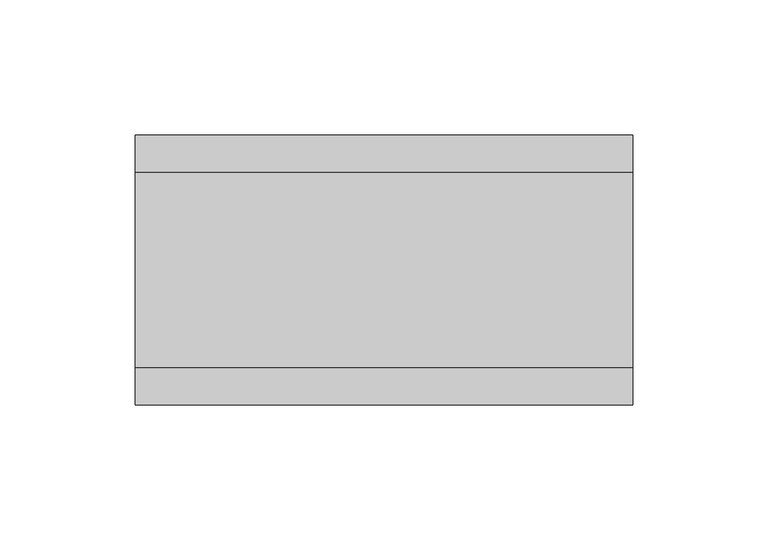
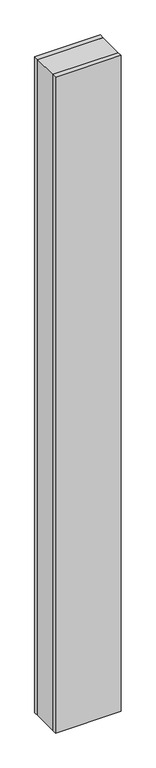
"""IFC4 building model written with IfcOpenShell, lengths in millimetres: plate geometry."""

import ifcopenshell
import ifcopenshell.guid

model = None  # the IFC model being written
_history = None  # IfcOwnerHistory: only IFC2X3 demands one
_inside = {}  # id of a spatial element -> (the spatial element, [elements in it])
_under = {}  # id of a project, library or spatial element -> (it, [spatial elements below it])
_declared = {}  # id of a project -> (the project, [libraries it declares])
_typed = {}  # id of a type object -> (the type object, [elements of that type])
_made_of = {}  # id of a material, layer set ... -> (it, [elements and type objects made of it])


def new_model(schema):
    """Start an empty IFC model of exactly this schema.

    Asked for "IFC4X3", IfcOpenShell would pick the latest addendum, in which some entities
    have other attributes; the version numbers below select the first issue.
    IFC2X3 requires an IfcOwnerHistory on every rooted entity: one is made here for all.
    """
    global model, _history
    if schema == "IFC4X3":
        model = ifcopenshell.file(schema_version=(4, 3, 0, 0))
    else:
        model = ifcopenshell.file(schema=schema)
    _inside.clear()
    _under.clear()
    _declared.clear()
    _typed.clear()
    _made_of.clear()
    _history = None
    if model.schema == "IFC2X3":
        org = make("IfcOrganization", Name="unknown")
        user = make(
            "IfcPersonAndOrganization",
            ThePerson=make("IfcPerson", FamilyName="unknown"),
            TheOrganization=org,
        )
        app = make(
            "IfcApplication",
            ApplicationDeveloper=org,
            Version="unknown",
            ApplicationFullName="unknown",
            ApplicationIdentifier="unknown",
        )
        _history = make(
            "IfcOwnerHistory",
            OwningUser=user,
            OwningApplication=app,
            ChangeAction="ADDED",
            CreationDate=0,
        )
    return model


def make(cls, **values):
    """One entity of the class cls with the attributes given. An attribute that is None is left unset."""
    return model.create_entity(
        cls, **{name: value for name, value in values.items() if value is not None}
    )


def rooted(cls, **values):
    """An entity with a GlobalId (a new one), such as an element, a storey or a relation."""
    return make(cls, GlobalId=ifcopenshell.guid.new(), OwnerHistory=_history, **values)


def si_unit(unit_type, name, prefix=None):
    """IfcSIUnit, for example si_unit("LENGTHUNIT", "METRE", prefix="MILLI")."""
    return make("IfcSIUnit", UnitType=unit_type, Prefix=prefix, Name=name)


def assignment(units):
    """IfcUnitAssignment: the units of a project."""
    return None if units is None else make("IfcUnitAssignment", Units=units)


def point(xyz):
    """IfcCartesianPoint."""
    return None if xyz is None else make("IfcCartesianPoint", Coordinates=xyz)


def direction(xyz):
    """IfcDirection."""
    return None if xyz is None else make("IfcDirection", DirectionRatios=xyz)


def frame(location, z_axis=None, x_axis=None):
    """IfcAxis2Placement3D, a coordinate frame: its origin and axes. An axis left out is left unset."""
    return make(
        "IfcAxis2Placement3D",
        Location=point(location),
        Axis=direction(z_axis),
        RefDirection=direction(x_axis),
    )


def origin():
    """The frame at (0, 0, 0) with its axes left unset."""
    return frame((0.0, 0.0, 0.0))


def origin_with_axes():
    """The frame at (0, 0, 0) with the z axis (0, 0, 1) and the x axis (1, 0, 0) written out."""
    return frame((0.0, 0.0, 0.0), z_axis=(0.0, 0.0, 1.0), x_axis=(1.0, 0.0, 0.0))


def place(relative_to, where):
    """IfcLocalPlacement: puts the frame where relative to a parent placement (None: the world)."""
    return make(
        "IfcLocalPlacement", PlacementRelTo=relative_to, RelativePlacement=where
    )


def context(
    kind, dimensions, precision=None, world=None, true_north=None, identifier=None
):
    """IfcGeometricRepresentationContext, for example the 3D "Model" context."""
    return make(
        "IfcGeometricRepresentationContext",
        ContextIdentifier=identifier,
        ContextType=kind,
        CoordinateSpaceDimension=dimensions,
        Precision=precision,
        WorldCoordinateSystem=world,
        TrueNorth=true_north,
    )


def project(units=None, contexts=None):
    """IfcProject with its units and contexts."""
    return rooted(
        "IfcProject",
        Name="project",
        RepresentationContexts=contexts,
        UnitsInContext=assignment(units),
    )


def spatial(cls, under=None, at=None, **own):
    """A site, building, storey or space (cls), placed at a placement, below another one or the project."""
    s = rooted(cls, ObjectPlacement=at, **own)
    if under is not None:
        _under.setdefault(under.id(), (under, []))[1].append(s)
    return s


def polyline(points):
    """IfcPolyline through the points."""
    return make("IfcPolyline", Points=[point(p) for p in points])


def outline(outer, holes=None, kind="AREA"):
    """IfcArbitraryClosedProfileDef: a profile drawn as a closed curve; with holes, ...WithVoids."""
    if holes is None:
        return make("IfcArbitraryClosedProfileDef", ProfileType=kind, OuterCurve=outer)
    return make(
        "IfcArbitraryProfileDefWithVoids",
        ProfileType=kind,
        OuterCurve=outer,
        InnerCurves=holes,
    )


def extrude(swept, where, along, depth):
    """IfcExtrudedAreaSolid: the profile swept, set in the frame where, extruded along a direction by depth."""
    return make(
        "IfcExtrudedAreaSolid",
        SweptArea=swept,
        Position=where,
        ExtrudedDirection=direction(along),
        Depth=depth,
    )


def shape(context_of_items, identifier, shape_type, items):
    """IfcShapeRepresentation: the items that make up one representation, for example the "Body"."""
    return make(
        "IfcShapeRepresentation",
        ContextOfItems=context_of_items,
        RepresentationIdentifier=identifier,
        RepresentationType=shape_type,
        Items=items,
    )


def source(mapping_origin, context_of_items, identifier, shape_type, items):
    """IfcRepresentationMap: a shape defined once, which mapped items show again and again."""
    return make(
        "IfcRepresentationMap",
        MappingOrigin=mapping_origin,
        MappedRepresentation=shape(context_of_items, identifier, shape_type, items),
    )


def transform(
    local_origin,
    x_axis=None,
    y_axis=None,
    z_axis=None,
    scale=None,
    scale2=None,
    scale3=None,
    uniform=True,
):
    """IfcCartesianTransformationOperator3D, or its non-uniform kind. x_axis, y_axis, z_axis: its Axis1, 2, 3."""
    if uniform:
        return make(
            "IfcCartesianTransformationOperator3D",
            Axis1=direction(x_axis),
            Axis2=direction(y_axis),
            LocalOrigin=point(local_origin),
            Scale=scale,
            Axis3=direction(z_axis),
        )
    return make(
        "IfcCartesianTransformationOperator3DnonUniform",
        Axis1=direction(x_axis),
        Axis2=direction(y_axis),
        LocalOrigin=point(local_origin),
        Scale=scale,
        Axis3=direction(z_axis),
        Scale2=scale2,
        Scale3=scale3,
    )


def mapped(mapping_source, mapping_target):
    """IfcMappedItem: shows the shape of a source again, moved by a transform."""
    return make(
        "IfcMappedItem", MappingSource=mapping_source, MappingTarget=mapping_target
    )


def made_of(thing, what):
    """Note that an element or type object is made of a material, layer set ...; save() writes the relation."""
    if what is not None:
        _made_of.setdefault(what.id(), (what, []))[1].append(thing)
    return thing


def element(
    cls,
    number,
    at=None,
    inside=None,
    cuts=None,
    type_object=None,
    material=None,
    context=None,
    identifier="Body",
    shape_type=None,
    held_by="IfcProductDefinitionShape",
    body=None,
    shapes=None,
    **own,
):
    """One element of the class cls, such as IfcWall. Its Tag is "e" and its number.

    at: its placement. inside: the storey or other place that contains it. cuts: it is an
    opening in that element (IfcRelVoidsElement). A single representation is given by context,
    identifier, shape_type and body (its items); several are given by shapes. held_by: the class
    of the entity that holds the representations. save() writes the other relations.
    """
    e = rooted(cls, Tag="e%d" % number, ObjectPlacement=at, **own)
    if body is not None:
        shapes = [shape(context, identifier, shape_type, body)]
    if shapes is not None:
        e.Representation = make(held_by, Representations=shapes)
    if inside is not None:
        _inside.setdefault(inside.id(), (inside, []))[1].append(e)
    if cuts is not None:
        rooted(
            "IfcRelVoidsElement", RelatingBuildingElement=cuts, RelatedOpeningElement=e
        )
    if type_object is not None:
        _typed.setdefault(type_object.id(), (type_object, []))[1].append(e)
    return made_of(e, material)


def aggregate(whole, parts):
    """IfcRelAggregates: a whole, such as a stair, and the parts it consists of."""
    return rooted("IfcRelAggregates", RelatingObject=whole, RelatedObjects=parts)


def save(model, path):
    """Write the relations noted so far, then the file.

    IfcRelAggregates (storeys below a building ...), IfcRelContainedInSpatialStructure (elements
    in a storey), IfcRelDefinesByType, IfcRelAssociatesMaterial and IfcRelDeclares: one each for
    every whole, place, type object, material and project.
    """
    for whole, parts in _under.values():
        aggregate(whole, parts)
    for where, things in _inside.values():
        rooted(
            "IfcRelContainedInSpatialStructure",
            RelatedElements=things,
            RelatingStructure=where,
        )
    for kind, things in _typed.values():
        rooted("IfcRelDefinesByType", RelatedObjects=things, RelatingType=kind)
    for what, things in _made_of.values():
        rooted("IfcRelAssociatesMaterial", RelatedObjects=things, RelatingMaterial=what)
    for by, libraries in _declared.values():
        rooted("IfcRelDeclares", RelatingContext=by, RelatedDefinitions=libraries)
    model.write(path)


def plate_be1ca55d(model_context):
    return source(origin(), model_context, "Body", "SweptSolid", [
        extrude(outline(polyline([(92.0766498, 36.0), (92.0766498, -36.0), (-92.0766498, -36.0), (-92.0766498, 36.0), (92.0766498, 36.0)])), origin_with_axes(), (0.0, 0.0, 1.0), 1943.6971514),
        extrude(outline(polyline([(92.0766498, 50.0), (92.0766498, 36.0), (-92.0766498, 36.0), (-92.0766498, 50.0), (92.0766498, 50.0)])), origin_with_axes(), (0.0, 0.0, 1.0), 1943.6971514),
        extrude(outline(polyline([(92.0766498, -36.0), (92.0766498, -50.0), (-92.0766498, -50.0), (-92.0766498, -36.0), (92.0766498, -36.0)])), origin_with_axes(), (0.0, 0.0, 1.0), 1943.6971514),
    ])


if __name__ == "__main__":
    model = new_model("IFC4")
    model_context = context("Model", 3, world=origin())
    ifc_project = project(units=[si_unit("LENGTHUNIT", "METRE", prefix="MILLI")], contexts=[model_context])
    site = spatial("IfcSite", under=ifc_project)
    building = spatial("IfcBuilding", under=site)
    placement = place(None, origin())
    plate_shape = plate_be1ca55d(model_context)
    element("IfcPlate", 1, at=placement, inside=building, context=model_context, shape_type="MappedRepresentation", body=[
        mapped(plate_shape, transform((0.0, 0.0, 0.0), x_axis=(1.0, 0.0, 0.0), y_axis=(0.0, 1.0, 0.0), z_axis=(0.0, 0.0, 1.0))),
    ])
    save(model, "model.ifc")
